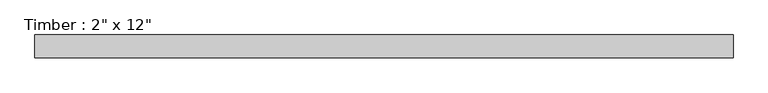
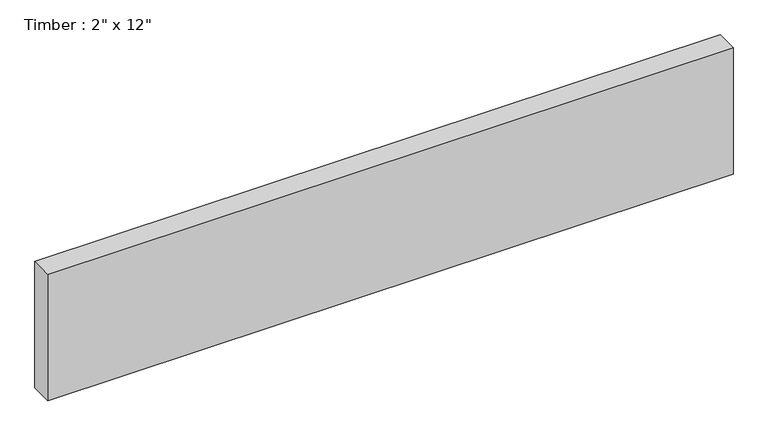
"""IFC4 building model written with IfcOpenShell, lengths in millimetres: beam geometry."""

from ifc_helpers import new_model, si_unit, frame, origin, place, context, project, spatial, polyline, outline, extrude, source, transform, mapped, element, save


def beam_7a3e891f(model_context):
    return source(origin(), model_context, "Body", "SweptSolid", [
        extrude(outline(polyline([(781.0499994, 25.4), (781.0499994, -25.4), (-781.0499994, -25.4), (-781.0499994, 25.4), (781.0499994, 25.4)])), frame((0.0, 0.0, -152.4), z_axis=(0.0, 0.0, 1.0), x_axis=(1.0, 0.0, 0.0)), (0.0, 0.0, 1.0), 304.8),
    ])


if __name__ == "__main__":
    model = new_model("IFC4")
    model_context = context("Model", 3, world=origin())
    ifc_project = project(units=[si_unit("LENGTHUNIT", "METRE", prefix="MILLI")], contexts=[model_context])
    site = spatial("IfcSite", under=ifc_project)
    building = spatial("IfcBuilding", under=site)
    placement = place(None, origin())
    beam_shape = beam_7a3e891f(model_context)
    element("IfcBeam", 1, ObjectType="Timber : 2\" x 12\"", at=placement, inside=building, context=model_context, shape_type="MappedRepresentation", body=[
        mapped(beam_shape, transform((0.0, 0.0, 0.0), x_axis=(1.0, 0.0, 0.0), y_axis=(0.0, 1.0, 0.0), z_axis=(0.0, 0.0, 1.0))),
    ])
    save(model, "model.ifc")
